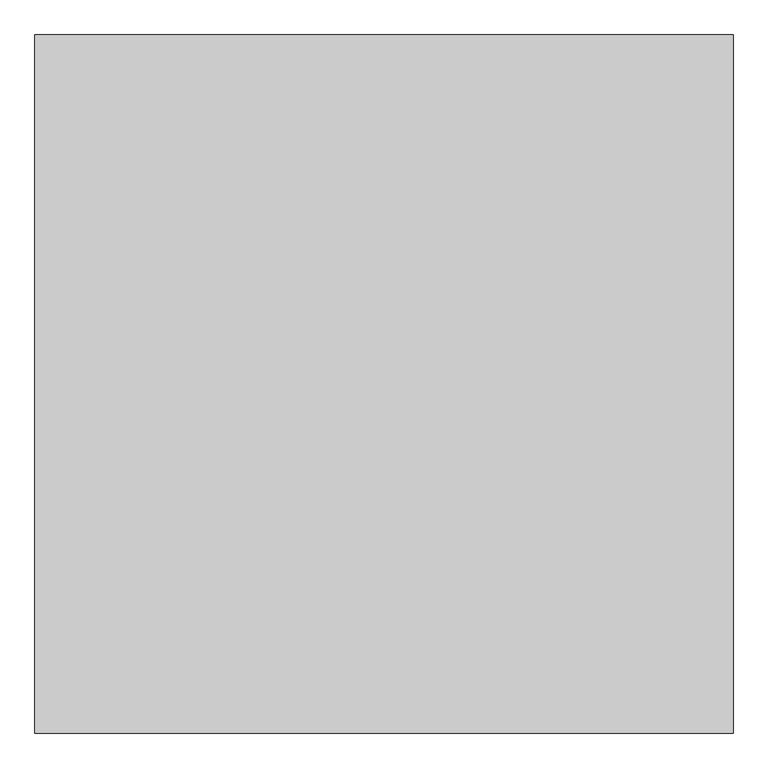
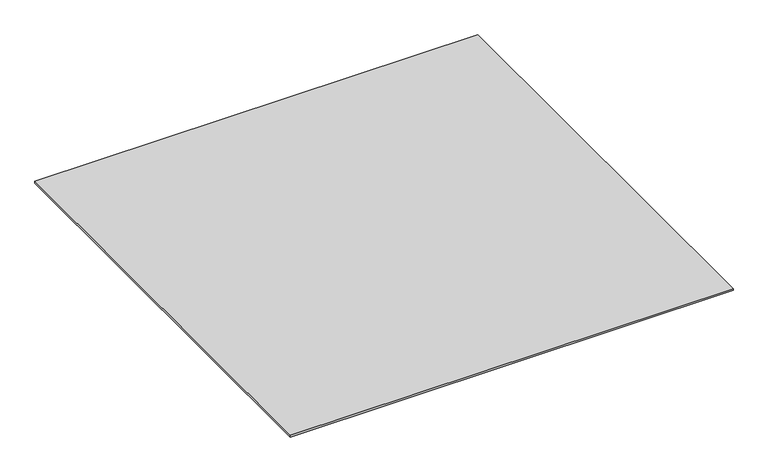
"""IFC4 building model written with IfcOpenShell, lengths in millimetres: proxy geometry."""

from ifc_helpers import new_model, si_unit, origin, origin_with_axes, place, context, project, spatial, polyline, outline, extrude, source, transform, mapped, element, save


def generic_models_d671a241(model_context):
    return source(origin(), model_context, "Body", "SweptSolid", [
        extrude(outline(polyline([(7403.0762132, -22287.355679), (7403.0762132, -23287.355679), (6403.0762132, -23287.355679), (6403.0762132, -22287.355679), (7403.0762132, -22287.355679)])), origin_with_axes(), (0.0, 0.0, 1.0), 4.0),
    ])


if __name__ == "__main__":
    model = new_model("IFC4")
    model_context = context("Model", 3, world=origin())
    ifc_project = project(units=[si_unit("LENGTHUNIT", "METRE", prefix="MILLI")], contexts=[model_context])
    site = spatial("IfcSite", under=ifc_project)
    building = spatial("IfcBuilding", under=site)
    placement = place(None, origin())
    generic_models_shape = generic_models_d671a241(model_context)
    element("IfcBuildingElementProxy", 1, Name="Generic Models", at=placement, inside=building, context=model_context, shape_type="MappedRepresentation", body=[
        mapped(generic_models_shape, transform((0.0, 0.0, 0.0), x_axis=(1.0, 0.0, 0.0), y_axis=(0.0, 1.0, 0.0), z_axis=(0.0, 0.0, 1.0))),
    ])
    save(model, "model.ifc")
